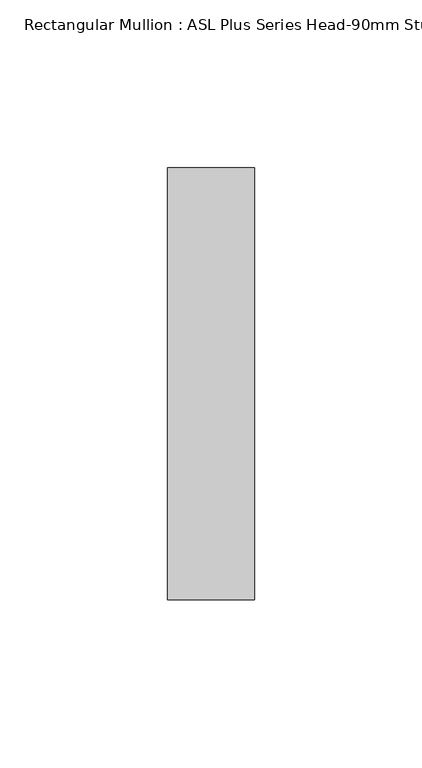
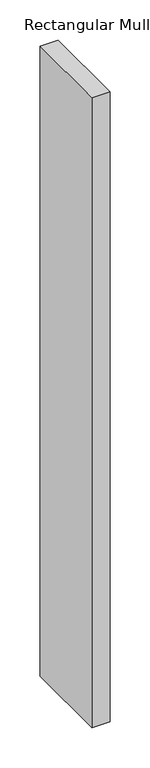
"""IFC4 building model written with IfcOpenShell, lengths in millimetres: member geometry, Rectangular Mullion : ASL Plus Series Head-90mm Stud."""

from ifc_helpers import new_model, si_unit, frame, origin, place, context, project, spatial, polyline, outline, extrude, source, transform, mapped, element, save


def rectangular_mullion_asl_plus_series_head_90mm_stud_246460c5(model_context):
    return source(origin(), model_context, "Body", "SweptSolid", [
        extrude(outline(polyline([(0.0, 64.5), (0.0, -64.5), (-26.0, -64.5), (-26.0, 64.5), (0.0, 64.5)])), frame((0.0, 0.0, -956.0), z_axis=(0.0, 0.0, 1.0), x_axis=(1.0, 0.0, 0.0)), (0.0, 0.0, 1.0), 956.0),
    ])


if __name__ == "__main__":
    model = new_model("IFC4")
    model_context = context("Model", 3, world=origin())
    ifc_project = project(units=[si_unit("LENGTHUNIT", "METRE", prefix="MILLI")], contexts=[model_context])
    site = spatial("IfcSite", under=ifc_project)
    building = spatial("IfcBuilding", under=site)
    placement = place(None, origin())
    rectangular_mullion_asl_plus_series_head_90mm_stud_shape = rectangular_mullion_asl_plus_series_head_90mm_stud_246460c5(model_context)
    element("IfcMember", 1, ObjectType="Rectangular Mullion : ASL Plus Series Head-90mm Stud", at=placement, inside=building, context=model_context, shape_type="MappedRepresentation", body=[
        mapped(rectangular_mullion_asl_plus_series_head_90mm_stud_shape, transform((0.0, 0.0, 0.0), x_axis=(1.0, 0.0, 0.0), y_axis=(0.0, 1.0, 0.0), z_axis=(0.0, 0.0, 1.0))),
    ])
    save(model, "model.ifc")
